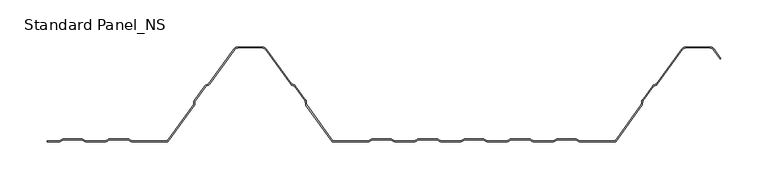
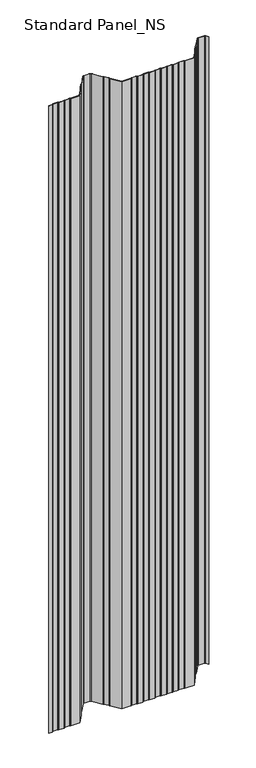
"""IFC4 building model written with IfcOpenShell, lengths in millimetres: proxy geometry, Standard Panel_NS."""

from ifc_helpers import new_model, si_unit, point, frame, frame_2d, origin, place, context, project, spatial, polyline, circle_curve, trimmed, segment, composite_curve, outline, extrude, source, transform, mapped, element, save


def standard_panel_ns_ff5cb006(model_context):
    return source(origin(), model_context, "Body", "SweptSolid", [
        extrude(outline(composite_curve([segment(polyline([(-332.6655441, 0.0), (-345.9999998, 0.0), (-345.9999998, 1.0), (-332.6655441, 1.0)]), True, "CONTINUOUS"), segment(trimmed(circle_curve(frame_2d((-332.6655441, 2.7486049)), 1.7486049), [point((-332.6655441, 1.0))], [point((-331.6955926, 1.2936777))], True, "CARTESIAN"), True, "CONTINUOUS"), segment(polyline([(-331.6955926, 1.2936777), (-329.8285502, 2.5383726)]), True, "CONTINUOUS"), segment(trimmed(circle_curve(frame_2d((-328.3038985, 0.2513951)), 2.7486049), [point((-329.8285502, 2.5383726))], [point((-328.3038985, 3.0))], False, "CARTESIAN"), True, "CONTINUOUS"), segment(polyline([(-328.3038985, 3.0), (-309.3627684, 3.0)]), True, "CONTINUOUS"), segment(trimmed(circle_curve(frame_2d((-309.3627684, 0.2513951)), 2.7486049), [point((-309.3627684, 3.0))], [point((-307.8381168, 2.5383726))], False, "CARTESIAN"), True, "CONTINUOUS"), segment(polyline([(-307.8381168, 2.5383726), (-305.9710744, 1.2936777)]), True, "CONTINUOUS"), segment(trimmed(circle_curve(frame_2d((-305.0011229, 2.7486049)), 1.7486049), [point((-305.9710744, 1.2936777))], [point((-305.0011229, 1.0))], True, "CARTESIAN"), True, "CONTINUOUS"), segment(polyline([(-305.0011229, 1.0), (-283.4988774, 1.0)]), True, "CONTINUOUS"), segment(trimmed(circle_curve(frame_2d((-283.4988774, 2.7486049)), 1.7486049), [point((-283.4988774, 1.0))], [point((-282.5289259, 1.2936777))], True, "CARTESIAN"), True, "CONTINUOUS"), segment(polyline([(-282.5289259, 1.2936777), (-280.6618835, 2.5383726)]), True, "CONTINUOUS"), segment(trimmed(circle_curve(frame_2d((-279.1372319, 0.2513951)), 2.7486049), [point((-280.6618835, 2.5383726))], [point((-279.1372319, 3.0))], False, "CARTESIAN"), True, "CONTINUOUS"), segment(polyline([(-279.1372319, 3.0), (-260.1961018, 3.0)]), True, "CONTINUOUS"), segment(trimmed(circle_curve(frame_2d((-260.1961018, 0.2513951)), 2.7486049), [point((-260.1961018, 3.0))], [point((-258.6714501, 2.5383726))], False, "CARTESIAN"), True, "CONTINUOUS"), segment(polyline([(-258.6714501, 2.5383726), (-256.8044077, 1.2936777)]), True, "CONTINUOUS"), segment(trimmed(circle_curve(frame_2d((-255.8344562, 2.7486049)), 1.7486049), [point((-256.8044077, 1.2936777))], [point((-255.8344562, 1.0))], True, "CARTESIAN"), True, "CONTINUOUS"), segment(polyline([(-255.8344562, 1.0), (-218.0101621, 1.0), (-190.1786697, 39.3882654)]), True, "CONTINUOUS"), segment(trimmed(circle_curve(frame_2d((-191.5943584, 40.4146398)), 1.7486049), [point((-190.1786697, 39.3882654))], [point((-189.8471041, 40.3459275))], True, "CARTESIAN"), True, "CONTINUOUS"), segment(polyline([(-189.8471041, 40.3459275), (-189.7589288, 42.5881001)]), True, "CONTINUOUS"), segment(trimmed(circle_curve(frame_2d((-187.0124468, 42.4800924)), 2.7486049), [point((-189.7589288, 42.5881001))], [point((-189.237746, 44.0934344))], False, "CARTESIAN"), True, "CONTINUOUS"), segment(polyline([(-189.237746, 44.0934344), (-178.1199169, 59.4283711)]), True, "CONTINUOUS"), segment(trimmed(circle_curve(frame_2d((-175.8946177, 57.8150291)), 2.7486049), [point((-178.1199169, 59.4283711))], [point((-176.8512575, 60.3917847))], False, "CARTESIAN"), True, "CONTINUOUS"), segment(polyline([(-176.8512575, 60.3917847), (-174.7476461, 61.1727662)]), True, "CONTINUOUS"), segment(trimmed(circle_curve(frame_2d((-175.3562403, 62.8120441)), 1.7486049), [point((-174.7476461, 61.1727662))], [point((-173.9405515, 61.7856697))], True, "CARTESIAN"), True, "CONTINUOUS"), segment(polyline([(-173.9405515, 61.7856697), (-147.3068531, 98.5218054)]), True, "CONTINUOUS"), segment(trimmed(circle_curve(frame_2d((-142.4491905, 95.0)), 6.0), [point((-147.3068531, 98.5218054))], [point((-142.4491905, 101.0))], False, "CARTESIAN"), True, "CONTINUOUS"), segment(polyline([(-142.4491905, 101.0), (-117.5508098, 101.0)]), True, "CONTINUOUS"), segment(trimmed(circle_curve(frame_2d((-117.5508098, 95.0)), 6.0), [point((-117.5508098, 101.0))], [point((-112.6931472, 98.5218054))], False, "CARTESIAN"), True, "CONTINUOUS"), segment(polyline([(-112.6931472, 98.5218054), (-86.0594488, 61.7856697)]), True, "CONTINUOUS"), segment(trimmed(circle_curve(frame_2d((-84.64376, 62.8120441)), 1.7486049), [point((-86.0594488, 61.7856697))], [point((-85.2523542, 61.1727662))], True, "CARTESIAN"), True, "CONTINUOUS"), segment(polyline([(-85.2523542, 61.1727662), (-83.1487428, 60.3917847)]), True, "CONTINUOUS"), segment(trimmed(circle_curve(frame_2d((-84.1053826, 57.8150291)), 2.7486049), [point((-83.1487428, 60.3917847))], [point((-81.8800834, 59.4283711))], False, "CARTESIAN"), True, "CONTINUOUS"), segment(polyline([(-81.8800834, 59.4283711), (-70.7622543, 44.0934344)]), True, "CONTINUOUS"), segment(trimmed(circle_curve(frame_2d((-72.9875535, 42.4800924)), 2.7486049), [point((-70.7622543, 44.0934344))], [point((-70.2410715, 42.5881001))], False, "CARTESIAN"), True, "CONTINUOUS"), segment(polyline([(-70.2410715, 42.5881001), (-70.1528962, 40.3459275)]), True, "CONTINUOUS"), segment(trimmed(circle_curve(frame_2d((-68.4056419, 40.4146398)), 1.7486049), [point((-70.1528962, 40.3459275))], [point((-69.8213306, 39.3882654))], True, "CARTESIAN"), True, "CONTINUOUS"), segment(polyline([(-69.8213306, 39.3882654), (-41.9898382, 1.0), (-4.1655441, 1.0)]), True, "CONTINUOUS"), segment(trimmed(circle_curve(frame_2d((-4.1655441, 2.7486049)), 1.7486049), [point((-4.1655441, 1.0))], [point((-3.1955926, 1.2936777))], True, "CARTESIAN"), True, "CONTINUOUS"), segment(polyline([(-3.1955926, 1.2936777), (-1.3285502, 2.5383726)]), True, "CONTINUOUS"), segment(trimmed(circle_curve(frame_2d((0.1961015, 0.2513951)), 2.7486049), [point((-1.3285502, 2.5383726))], [point((0.1961015, 3.0))], False, "CARTESIAN"), True, "CONTINUOUS"), segment(polyline([(0.1961015, 3.0), (19.1372316, 3.0)]), True, "CONTINUOUS"), segment(trimmed(circle_curve(frame_2d((19.1372316, 0.2513951)), 2.7486049), [point((19.1372316, 3.0))], [point((20.6618832, 2.5383726))], False, "CARTESIAN"), True, "CONTINUOUS"), segment(polyline([(20.6618832, 2.5383726), (22.5289256, 1.2936777)]), True, "CONTINUOUS"), segment(trimmed(circle_curve(frame_2d((23.4988771, 2.7486049)), 1.7486049), [point((22.5289256, 1.2936777))], [point((23.4988771, 1.0))], True, "CARTESIAN"), True, "CONTINUOUS"), segment(polyline([(23.4988771, 1.0), (45.0011226, 1.0)]), True, "CONTINUOUS"), segment(trimmed(circle_curve(frame_2d((45.0011226, 2.7486049)), 1.7486049), [point((45.0011226, 1.0))], [point((45.9710741, 1.2936777))], True, "CARTESIAN"), True, "CONTINUOUS"), segment(polyline([(45.9710741, 1.2936777), (47.8381165, 2.5383726)]), True, "CONTINUOUS"), segment(trimmed(circle_curve(frame_2d((49.3627681, 0.2513951)), 2.7486049), [point((47.8381165, 2.5383726))], [point((49.3627681, 3.0))], False, "CARTESIAN"), True, "CONTINUOUS"), segment(polyline([(49.3627681, 3.0), (68.3038982, 3.0)]), True, "CONTINUOUS"), segment(trimmed(circle_curve(frame_2d((68.3038982, 0.2513951)), 2.7486049), [point((68.3038982, 3.0))], [point((69.8285499, 2.5383726))], False, "CARTESIAN"), True, "CONTINUOUS"), segment(polyline([(69.8285499, 2.5383726), (71.6955923, 1.2936777)]), True, "CONTINUOUS"), segment(trimmed(circle_curve(frame_2d((72.6655438, 2.7486049)), 1.7486049), [point((71.6955923, 1.2936777))], [point((72.6655438, 1.0))], True, "CARTESIAN"), True, "CONTINUOUS"), segment(polyline([(72.6655438, 1.0), (94.1677892, 1.0)]), True, "CONTINUOUS"), segment(trimmed(circle_curve(frame_2d((94.1677892, 2.7486049)), 1.7486049), [point((94.1677892, 1.0))], [point((95.1377407, 1.2936777))], True, "CARTESIAN"), True, "CONTINUOUS"), segment(polyline([(95.1377407, 1.2936777), (97.0047831, 2.5383726)]), True, "CONTINUOUS"), segment(trimmed(circle_curve(frame_2d((98.5294348, 0.2513951)), 2.7486049), [point((97.0047831, 2.5383726))], [point((98.5294348, 3.0))], False, "CARTESIAN"), True, "CONTINUOUS"), segment(polyline([(98.5294348, 3.0), (117.4705649, 3.0)]), True, "CONTINUOUS"), segment(trimmed(circle_curve(frame_2d((117.4705649, 0.2513951)), 2.7486049), [point((117.4705649, 3.0))], [point((118.9952166, 2.5383726))], False, "CARTESIAN"), True, "CONTINUOUS"), segment(polyline([(118.9952166, 2.5383726), (120.862259, 1.2936777)]), True, "CONTINUOUS"), segment(trimmed(circle_curve(frame_2d((121.8322104, 2.7486049)), 1.7486049), [point((120.862259, 1.2936777))], [point((121.8322104, 1.0))], True, "CARTESIAN"), True, "CONTINUOUS"), segment(polyline([(121.8322104, 1.0), (143.3344559, 1.0)]), True, "CONTINUOUS"), segment(trimmed(circle_curve(frame_2d((143.3344559, 2.7486049)), 1.7486049), [point((143.3344559, 1.0))], [point((144.3044074, 1.2936777))], True, "CARTESIAN"), True, "CONTINUOUS"), segment(polyline([(144.3044074, 1.2936777), (146.1714498, 2.5383726)]), True, "CONTINUOUS"), segment(trimmed(circle_curve(frame_2d((147.6961015, 0.2513951)), 2.7486049), [point((146.1714498, 2.5383726))], [point((147.6961015, 3.0))], False, "CARTESIAN"), True, "CONTINUOUS"), segment(polyline([(147.6961015, 3.0), (166.6372316, 3.0)]), True, "CONTINUOUS"), segment(trimmed(circle_curve(frame_2d((166.6372316, 0.2513951)), 2.7486049), [point((166.6372316, 3.0))], [point((168.1618832, 2.5383726))], False, "CARTESIAN"), True, "CONTINUOUS"), segment(polyline([(168.1618832, 2.5383726), (170.0289256, 1.2936777)]), True, "CONTINUOUS"), segment(trimmed(circle_curve(frame_2d((170.9988771, 2.7486049)), 1.7486049), [point((170.0289256, 1.2936777))], [point((170.9988771, 1.0))], True, "CARTESIAN"), True, "CONTINUOUS"), segment(polyline([(170.9988771, 1.0), (192.5011226, 1.0)]), True, "CONTINUOUS"), segment(trimmed(circle_curve(frame_2d((192.5011226, 2.7486049)), 1.7486049), [point((192.5011226, 1.0))], [point((193.4710741, 1.2936777))], True, "CARTESIAN"), True, "CONTINUOUS"), segment(polyline([(193.4710741, 1.2936777), (195.3381165, 2.5383726)]), True, "CONTINUOUS"), segment(trimmed(circle_curve(frame_2d((196.8627681, 0.2513951)), 2.7486049), [point((195.3381165, 2.5383726))], [point((196.8627681, 3.0))], False, "CARTESIAN"), True, "CONTINUOUS"), segment(polyline([(196.8627681, 3.0), (215.8038982, 3.0)]), True, "CONTINUOUS"), segment(trimmed(circle_curve(frame_2d((215.8038982, 0.2513951)), 2.7486049), [point((215.8038982, 3.0))], [point((217.3285499, 2.5383726))], False, "CARTESIAN"), True, "CONTINUOUS"), segment(polyline([(217.3285499, 2.5383726), (219.1955923, 1.2936777)]), True, "CONTINUOUS"), segment(trimmed(circle_curve(frame_2d((220.1655438, 2.7486049)), 1.7486049), [point((219.1955923, 1.2936777))], [point((220.1655438, 1.0))], True, "CARTESIAN"), True, "CONTINUOUS"), segment(polyline([(220.1655438, 1.0), (257.9898379, 1.0), (285.8213303, 39.3882654)]), True, "CONTINUOUS"), segment(trimmed(circle_curve(frame_2d((284.4056416, 40.4146398)), 1.7486049), [point((285.8213303, 39.3882654))], [point((286.1528959, 40.3459275))], True, "CARTESIAN"), True, "CONTINUOUS"), segment(polyline([(286.1528959, 40.3459275), (286.2410712, 42.5881001)]), True, "CONTINUOUS"), segment(trimmed(circle_curve(frame_2d((288.9875532, 42.4800924)), 2.7486049), [point((286.2410712, 42.5881001))], [point((286.762254, 44.0934344))], False, "CARTESIAN"), True, "CONTINUOUS"), segment(polyline([(286.762254, 44.0934344), (297.8800831, 59.4283711)]), True, "CONTINUOUS"), segment(trimmed(circle_curve(frame_2d((300.1053823, 57.8150291)), 2.7486049), [point((297.8800831, 59.4283711))], [point((299.1487425, 60.3917847))], False, "CARTESIAN"), True, "CONTINUOUS"), segment(polyline([(299.1487425, 60.3917847), (301.2523539, 61.1727662)]), True, "CONTINUOUS"), segment(trimmed(circle_curve(frame_2d((300.6437597, 62.8120441)), 1.7486049), [point((301.2523539, 61.1727662))], [point((302.0594485, 61.7856697))], True, "CARTESIAN"), True, "CONTINUOUS"), segment(polyline([(302.0594485, 61.7856697), (328.6931469, 98.5218054)]), True, "CONTINUOUS"), segment(trimmed(circle_curve(frame_2d((333.5508095, 95.0)), 6.0), [point((328.6931469, 98.5218054))], [point((333.5508095, 101.0))], False, "CARTESIAN"), True, "CONTINUOUS"), segment(polyline([(333.5508095, 101.0), (358.4491902, 101.0)]), True, "CONTINUOUS"), segment(trimmed(circle_curve(frame_2d((358.4491902, 95.0)), 6.0), [point((358.4491902, 101.0))], [point((363.3068528, 98.5218054))], False, "CARTESIAN"), True, "CONTINUOUS"), segment(polyline([(363.3068528, 98.5218054), (370.6141239, 88.4428109), (369.8045134, 87.8558433), (362.4972424, 97.9348379)]), True, "CONTINUOUS"), segment(trimmed(circle_curve(frame_2d((358.4491902, 95.0)), 5.0), [point((362.4972424, 97.9348379))], [point((358.4491902, 100.0))], True, "CARTESIAN"), True, "CONTINUOUS"), segment(polyline([(358.4491902, 100.0), (333.5508095, 100.0)]), True, "CONTINUOUS"), segment(trimmed(circle_curve(frame_2d((333.5508095, 95.0)), 5.0), [point((333.5508095, 100.0))], [point((329.5027573, 97.9348379))], True, "CARTESIAN"), True, "CONTINUOUS"), segment(polyline([(329.5027573, 97.9348379), (302.8690589, 61.1987022)]), True, "CONTINUOUS"), segment(trimmed(circle_curve(frame_2d((300.6437597, 62.8120441)), 2.7486049), [point((302.8690589, 61.1987022))], [point((301.6003995, 60.2352885))], False, "CARTESIAN"), True, "CONTINUOUS"), segment(polyline([(301.6003995, 60.2352885), (299.4967881, 59.4543071)]), True, "CONTINUOUS"), segment(trimmed(circle_curve(frame_2d((300.1053823, 57.8150291)), 1.7486049), [point((299.4967881, 59.4543071))], [point((298.6896935, 58.8414035))], True, "CARTESIAN"), True, "CONTINUOUS"), segment(polyline([(298.6896935, 58.8414035), (287.5718644, 43.5064668)]), True, "CONTINUOUS"), segment(trimmed(circle_curve(frame_2d((288.9875532, 42.4800924)), 1.7486049), [point((287.5718644, 43.5064668))], [point((287.2402989, 42.5488047))], True, "CARTESIAN"), True, "CONTINUOUS"), segment(polyline([(287.2402989, 42.5488047), (287.1521235, 40.3066321)]), True, "CONTINUOUS"), segment(trimmed(circle_curve(frame_2d((284.4056416, 40.4146398)), 2.7486049), [point((287.1521235, 40.3066321))], [point((286.6309408, 38.8012978))], False, "CARTESIAN"), True, "CONTINUOUS"), segment(polyline([(286.6309408, 38.8012978), (258.4999998, 0.0), (220.1655438, 0.0)]), True, "CONTINUOUS"), segment(trimmed(circle_curve(frame_2d((220.1655438, 2.7486049)), 2.7486049), [point((220.1655438, 0.0))], [point((218.6408921, 0.4616274))], False, "CARTESIAN"), True, "CONTINUOUS"), segment(polyline([(218.6408921, 0.4616274), (216.7738497, 1.7063223)]), True, "CONTINUOUS"), segment(trimmed(circle_curve(frame_2d((215.8038982, 0.2513951)), 1.7486049), [point((216.7738497, 1.7063223))], [point((215.8038982, 2.0))], True, "CARTESIAN"), True, "CONTINUOUS"), segment(polyline([(215.8038982, 2.0), (196.8627681, 2.0)]), True, "CONTINUOUS"), segment(trimmed(circle_curve(frame_2d((196.8627681, 0.2513951)), 1.7486049), [point((196.8627681, 2.0))], [point((195.8928167, 1.7063223))], True, "CARTESIAN"), True, "CONTINUOUS"), segment(polyline([(195.8928167, 1.7063223), (194.0257743, 0.4616274)]), True, "CONTINUOUS"), segment(trimmed(circle_curve(frame_2d((192.5011226, 2.7486049)), 2.7486049), [point((194.0257743, 0.4616274))], [point((192.5011226, 0.0))], False, "CARTESIAN"), True, "CONTINUOUS"), segment(polyline([(192.5011226, 0.0), (170.9988771, 0.0)]), True, "CONTINUOUS"), segment(trimmed(circle_curve(frame_2d((170.9988771, 2.7486049)), 2.7486049), [point((170.9988771, 0.0))], [point((169.4742254, 0.4616274))], False, "CARTESIAN"), True, "CONTINUOUS"), segment(polyline([(169.4742254, 0.4616274), (167.607183, 1.7063223)]), True, "CONTINUOUS"), segment(trimmed(circle_curve(frame_2d((166.6372316, 0.2513951)), 1.7486049), [point((167.607183, 1.7063223))], [point((166.6372316, 2.0))], True, "CARTESIAN"), True, "CONTINUOUS"), segment(polyline([(166.6372316, 2.0), (147.6961015, 2.0)]), True, "CONTINUOUS"), segment(trimmed(circle_curve(frame_2d((147.6961015, 0.2513951)), 1.7486049), [point((147.6961015, 2.0))], [point((146.72615, 1.7063223))], True, "CARTESIAN"), True, "CONTINUOUS"), segment(polyline([(146.72615, 1.7063223), (144.8591076, 0.4616274)]), True, "CONTINUOUS"), segment(trimmed(circle_curve(frame_2d((143.3344559, 2.7486049)), 2.7486049), [point((144.8591076, 0.4616274))], [point((143.3344559, 0.0))], False, "CARTESIAN"), True, "CONTINUOUS"), segment(polyline([(143.3344559, 0.0), (121.8322104, 0.0)]), True, "CONTINUOUS"), segment(trimmed(circle_curve(frame_2d((121.8322104, 2.7486049)), 2.7486049), [point((121.8322104, 0.0))], [point((120.3075588, 0.4616274))], False, "CARTESIAN"), True, "CONTINUOUS"), segment(polyline([(120.3075588, 0.4616274), (118.4405164, 1.7063223)]), True, "CONTINUOUS"), segment(trimmed(circle_curve(frame_2d((117.4705649, 0.2513951)), 1.7486049), [point((118.4405164, 1.7063223))], [point((117.4705649, 2.0))], True, "CARTESIAN"), True, "CONTINUOUS"), segment(polyline([(117.4705649, 2.0), (98.5294348, 2.0)]), True, "CONTINUOUS"), segment(trimmed(circle_curve(frame_2d((98.5294348, 0.2513951)), 1.7486049), [point((98.5294348, 2.0))], [point((97.5594833, 1.7063223))], True, "CARTESIAN"), True, "CONTINUOUS"), segment(polyline([(97.5594833, 1.7063223), (95.6924409, 0.4616274)]), True, "CONTINUOUS"), segment(trimmed(circle_curve(frame_2d((94.1677892, 2.7486049)), 2.7486049), [point((95.6924409, 0.4616274))], [point((94.1677892, 0.0))], False, "CARTESIAN"), True, "CONTINUOUS"), segment(polyline([(94.1677892, 0.0), (72.6655438, 0.0)]), True, "CONTINUOUS"), segment(trimmed(circle_curve(frame_2d((72.6655438, 2.7486049)), 2.7486049), [point((72.6655438, 0.0))], [point((71.1408921, 0.4616274))], False, "CARTESIAN"), True, "CONTINUOUS"), segment(polyline([(71.1408921, 0.4616274), (69.2738497, 1.7063223)]), True, "CONTINUOUS"), segment(trimmed(circle_curve(frame_2d((68.3038982, 0.2513951)), 1.7486049), [point((69.2738497, 1.7063223))], [point((68.3038982, 2.0))], True, "CARTESIAN"), True, "CONTINUOUS"), segment(polyline([(68.3038982, 2.0), (49.3627681, 2.0)]), True, "CONTINUOUS"), segment(trimmed(circle_curve(frame_2d((49.3627681, 0.2513951)), 1.7486049), [point((49.3627681, 2.0))], [point((48.3928167, 1.7063223))], True, "CARTESIAN"), True, "CONTINUOUS"), segment(polyline([(48.3928167, 1.7063223), (46.5257743, 0.4616274)]), True, "CONTINUOUS"), segment(trimmed(circle_curve(frame_2d((45.0011226, 2.7486049)), 2.7486049), [point((46.5257743, 0.4616274))], [point((45.0011226, 0.0))], False, "CARTESIAN"), True, "CONTINUOUS"), segment(polyline([(45.0011226, 0.0), (23.4988771, 0.0)]), True, "CONTINUOUS"), segment(trimmed(circle_curve(frame_2d((23.4988771, 2.7486049)), 2.7486049), [point((23.4988771, 0.0))], [point((21.9742254, 0.4616274))], False, "CARTESIAN"), True, "CONTINUOUS"), segment(polyline([(21.9742254, 0.4616274), (20.107183, 1.7063223)]), True, "CONTINUOUS"), segment(trimmed(circle_curve(frame_2d((19.1372316, 0.2513951)), 1.7486049), [point((20.107183, 1.7063223))], [point((19.1372316, 2.0))], True, "CARTESIAN"), True, "CONTINUOUS"), segment(polyline([(19.1372316, 2.0), (0.1961015, 2.0)]), True, "CONTINUOUS"), segment(trimmed(circle_curve(frame_2d((0.1961015, 0.2513951)), 1.7486049), [point((0.1961015, 2.0))], [point((-0.77385, 1.7063223))], True, "CARTESIAN"), True, "CONTINUOUS"), segment(polyline([(-0.77385, 1.7063223), (-2.6408924, 0.4616274)]), True, "CONTINUOUS"), segment(trimmed(circle_curve(frame_2d((-4.1655441, 2.7486049)), 2.7486049), [point((-2.6408924, 0.4616274))], [point((-4.1655441, 0.0))], False, "CARTESIAN"), True, "CONTINUOUS"), segment(polyline([(-4.1655441, 0.0), (-42.5000002, 0.0), (-70.6309411, 38.8012978)]), True, "CONTINUOUS"), segment(trimmed(circle_curve(frame_2d((-68.4056419, 40.4146398)), 2.7486049), [point((-70.6309411, 38.8012978))], [point((-71.1521238, 40.3066321))], False, "CARTESIAN"), True, "CONTINUOUS"), segment(polyline([(-71.1521238, 40.3066321), (-71.2402992, 42.5488047)]), True, "CONTINUOUS"), segment(trimmed(circle_curve(frame_2d((-72.9875535, 42.4800924)), 1.7486049), [point((-71.2402992, 42.5488047))], [point((-71.5718647, 43.5064668))], True, "CARTESIAN"), True, "CONTINUOUS"), segment(polyline([(-71.5718647, 43.5064668), (-82.6896938, 58.8414035)]), True, "CONTINUOUS"), segment(trimmed(circle_curve(frame_2d((-84.1053826, 57.8150291)), 1.7486049), [point((-82.6896938, 58.8414035))], [point((-83.4967884, 59.4543071))], True, "CARTESIAN"), True, "CONTINUOUS"), segment(polyline([(-83.4967884, 59.4543071), (-85.6003998, 60.2352885)]), True, "CONTINUOUS"), segment(trimmed(circle_curve(frame_2d((-84.64376, 62.8120441)), 2.7486049), [point((-85.6003998, 60.2352885))], [point((-86.8690592, 61.1987022))], False, "CARTESIAN"), True, "CONTINUOUS"), segment(polyline([(-86.8690592, 61.1987022), (-113.5027576, 97.9348379)]), True, "CONTINUOUS"), segment(trimmed(circle_curve(frame_2d((-117.5508098, 95.0)), 5.0), [point((-113.5027576, 97.9348379))], [point((-117.5508098, 100.0))], True, "CARTESIAN"), True, "CONTINUOUS"), segment(polyline([(-117.5508098, 100.0), (-142.4491905, 100.0)]), True, "CONTINUOUS"), segment(trimmed(circle_curve(frame_2d((-142.4491905, 95.0)), 5.0), [point((-142.4491905, 100.0))], [point((-146.4972427, 97.9348379))], True, "CARTESIAN"), True, "CONTINUOUS"), segment(polyline([(-146.4972427, 97.9348379), (-173.1309411, 61.1987022)]), True, "CONTINUOUS"), segment(trimmed(circle_curve(frame_2d((-175.3562403, 62.8120441)), 2.7486049), [point((-173.1309411, 61.1987022))], [point((-174.3996005, 60.2352885))], False, "CARTESIAN"), True, "CONTINUOUS"), segment(polyline([(-174.3996005, 60.2352885), (-176.5032119, 59.4543071)]), True, "CONTINUOUS"), segment(trimmed(circle_curve(frame_2d((-175.8946177, 57.8150291)), 1.7486049), [point((-176.5032119, 59.4543071))], [point((-177.3103065, 58.8414035))], True, "CARTESIAN"), True, "CONTINUOUS"), segment(polyline([(-177.3103065, 58.8414035), (-188.4281356, 43.5064668)]), True, "CONTINUOUS"), segment(trimmed(circle_curve(frame_2d((-187.0124468, 42.4800924)), 1.7486049), [point((-188.4281356, 43.5064668))], [point((-188.7597011, 42.5488047))], True, "CARTESIAN"), True, "CONTINUOUS"), segment(polyline([(-188.7597011, 42.5488047), (-188.8478765, 40.3066321)]), True, "CONTINUOUS"), segment(trimmed(circle_curve(frame_2d((-191.5943584, 40.4146398)), 2.7486049), [point((-188.8478765, 40.3066321))], [point((-189.3690592, 38.8012978))], False, "CARTESIAN"), True, "CONTINUOUS"), segment(polyline([(-189.3690592, 38.8012978), (-217.5000002, 0.0), (-255.8344562, 0.0)]), True, "CONTINUOUS"), segment(trimmed(circle_curve(frame_2d((-255.8344562, 2.7486049)), 2.7486049), [point((-255.8344562, 0.0))], [point((-257.3591079, 0.4616274))], False, "CARTESIAN"), True, "CONTINUOUS"), segment(polyline([(-257.3591079, 0.4616274), (-259.2261503, 1.7063223)]), True, "CONTINUOUS"), segment(trimmed(circle_curve(frame_2d((-260.1961018, 0.2513951)), 1.7486049), [point((-259.2261503, 1.7063223))], [point((-260.1961018, 2.0))], True, "CARTESIAN"), True, "CONTINUOUS"), segment(polyline([(-260.1961018, 2.0), (-279.1372319, 2.0)]), True, "CONTINUOUS"), segment(trimmed(circle_curve(frame_2d((-279.1372319, 0.2513951)), 1.7486049), [point((-279.1372319, 2.0))], [point((-280.1071833, 1.7063223))], True, "CARTESIAN"), True, "CONTINUOUS"), segment(polyline([(-280.1071833, 1.7063223), (-281.9742257, 0.4616274)]), True, "CONTINUOUS"), segment(trimmed(circle_curve(frame_2d((-283.4988774, 2.7486049)), 2.7486049), [point((-281.9742257, 0.4616274))], [point((-283.4988774, 0.0))], False, "CARTESIAN"), True, "CONTINUOUS"), segment(polyline([(-283.4988774, 0.0), (-305.0011229, 0.0)]), True, "CONTINUOUS"), segment(trimmed(circle_curve(frame_2d((-305.0011229, 2.7486049)), 2.7486049), [point((-305.0011229, 0.0))], [point((-306.5257746, 0.4616274))], False, "CARTESIAN"), True, "CONTINUOUS"), segment(polyline([(-306.5257746, 0.4616274), (-308.392817, 1.7063223)]), True, "CONTINUOUS"), segment(trimmed(circle_curve(frame_2d((-309.3627684, 0.2513951)), 1.7486049), [point((-308.392817, 1.7063223))], [point((-309.3627684, 2.0))], True, "CARTESIAN"), True, "CONTINUOUS"), segment(polyline([(-309.3627684, 2.0), (-328.3038985, 2.0)]), True, "CONTINUOUS"), segment(trimmed(circle_curve(frame_2d((-328.3038985, 0.2513951)), 1.7486049), [point((-328.3038985, 2.0))], [point((-329.27385, 1.7063223))], True, "CARTESIAN"), True, "CONTINUOUS"), segment(polyline([(-329.27385, 1.7063223), (-331.1408924, 0.4616274)]), True, "CONTINUOUS"), segment(trimmed(circle_curve(frame_2d((-332.6655441, 2.7486049)), 2.7486049), [point((-331.1408924, 0.4616274))], [point((-332.6655441, 0.0))], False, "CARTESIAN"), True, "CONTINUOUS")], self_intersect=False)), frame((0.0, 0.0, -250.0), z_axis=(0.0, 0.0, 1.0), x_axis=(1.0, 0.0, 0.0)), (0.0, 0.0, 1.0), 2762.4689053),
    ])


if __name__ == "__main__":
    model = new_model("IFC4")
    model_context = context("Model", 3, world=origin())
    ifc_project = project(units=[si_unit("LENGTHUNIT", "METRE", prefix="MILLI")], contexts=[model_context])
    site = spatial("IfcSite", under=ifc_project)
    building = spatial("IfcBuilding", under=site)
    placement = place(None, origin())
    standard_panel_ns_shape = standard_panel_ns_ff5cb006(model_context)
    element("IfcBuildingElementProxy", 1, Name="Standard Panel_NS", ObjectType="Standard Panel_NS", at=placement, inside=building, context=model_context, shape_type="MappedRepresentation", body=[
        mapped(standard_panel_ns_shape, transform((0.0, 0.0, 0.0), x_axis=(1.0, 0.0, 0.0), y_axis=(0.0, 1.0, 0.0), z_axis=(0.0, 0.0, 1.0))),
    ])
    save(model, "model.ifc")
